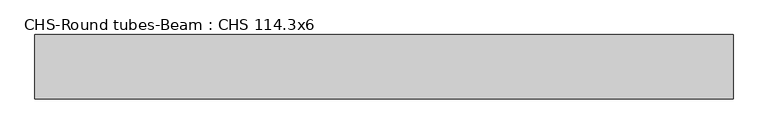
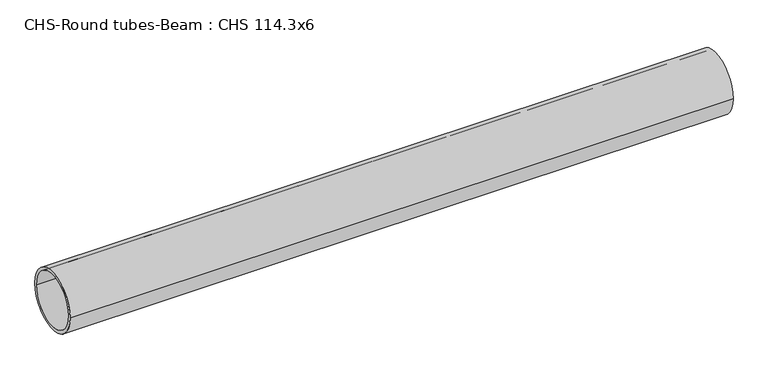
"""IFC4 building model written with IfcOpenShell, lengths in millimetres: beam geometry, CHS-Round tubes-Beam : CHS 114.3x6."""

from ifc_helpers import new_model, si_unit, point, frame, origin, origin_2d, place, context, project, spatial, circle_curve, trimmed, segment, composite_curve, outline, extrude, source, transform, mapped, element, save


def chs_round_tubes_beam_chs_114_3x6_6c73f609(model_context):
    return source(origin(), model_context, "Body", "SweptSolid", [
        extrude(outline(composite_curve([segment(trimmed(circle_curve(origin_2d(), 57.15), [point((57.15, 0.0))], [point((-57.15, 0.0))], False, "CARTESIAN"), True, "CONTINUOUS"), segment(trimmed(circle_curve(origin_2d(), 57.15), [point((-57.15, 0.0))], [point((57.15, 0.0))], False, "CARTESIAN"), True, "CONTINUOUS")], self_intersect=False), holes=[composite_curve([segment(trimmed(circle_curve(origin_2d(), 51.15), [point((51.15, 0.0))], [point((-51.15, 0.0))], True, "CARTESIAN"), True, "CONTINUOUS"), segment(trimmed(circle_curve(origin_2d(), 51.15), [point((-51.15, 0.0))], [point((51.15, 0.0))], True, "CARTESIAN"), True, "CONTINUOUS")], self_intersect=False)]), frame((-621.1303044, 0.0, 0.0), z_axis=(1.0, 0.0, 0.0), x_axis=(0.0, 1.0, 0.0)), (0.0, 0.0, 1.0), 1242.2606089),
    ])


if __name__ == "__main__":
    model = new_model("IFC4")
    model_context = context("Model", 3, world=origin())
    ifc_project = project(units=[si_unit("LENGTHUNIT", "METRE", prefix="MILLI")], contexts=[model_context])
    site = spatial("IfcSite", under=ifc_project)
    building = spatial("IfcBuilding", under=site)
    placement = place(None, origin())
    chs_round_tubes_beam_chs_114_3x6_shape = chs_round_tubes_beam_chs_114_3x6_6c73f609(model_context)
    element("IfcBeam", 1, ObjectType="CHS-Round tubes-Beam : CHS 114.3x6", at=placement, inside=building, context=model_context, shape_type="MappedRepresentation", body=[
        mapped(chs_round_tubes_beam_chs_114_3x6_shape, transform((0.0, 0.0, 0.0), x_axis=(1.0, 0.0, 0.0), y_axis=(0.0, 1.0, 0.0), z_axis=(0.0, 0.0, 1.0))),
    ])
    save(model, "model.ifc")
